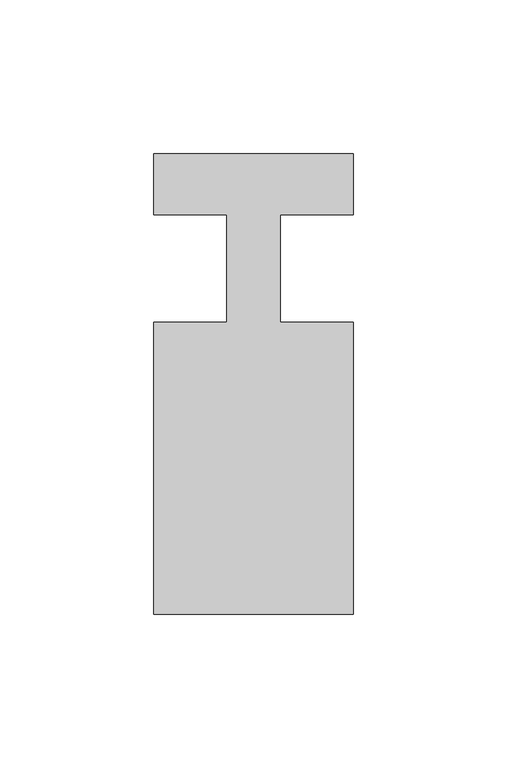
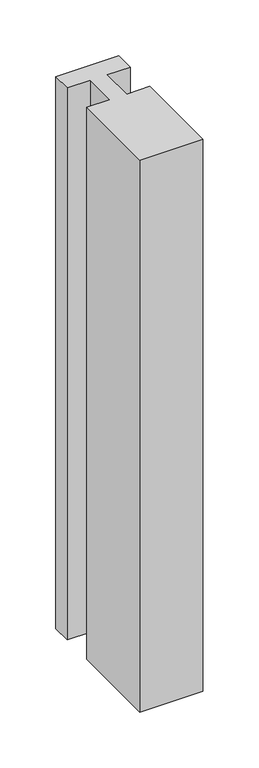
"""IFC4 building model written with IfcOpenShell, lengths in millimetres: member geometry."""

from ifc_helpers import new_model, si_unit, frame, origin, place, context, project, spatial, polyline, outline, extrude, source, transform, mapped, element, save


def member_1569af45(model_context):
    return source(origin(), model_context, "Body", "SweptSolid", [
        extrude(outline(polyline([(-32.5, 37.0), (32.5, 37.0), (32.5, 17.0), (8.6875, 17.0), (8.6875, -18.0), (32.5, -18.0), (32.5, -113.0), (-32.5, -113.0), (-32.5, -18.0), (-8.6875, -18.0), (-8.6875, 17.0), (-32.5, 17.0), (-32.5, 37.0)])), frame((0.0, 0.0, -602.5), z_axis=(0.0, 0.0, 1.0), x_axis=(1.0, 0.0, 0.0)), (0.0, 0.0, 1.0), 602.5),
    ])


if __name__ == "__main__":
    model = new_model("IFC4")
    model_context = context("Model", 3, world=origin())
    ifc_project = project(units=[si_unit("LENGTHUNIT", "METRE", prefix="MILLI")], contexts=[model_context])
    site = spatial("IfcSite", under=ifc_project)
    building = spatial("IfcBuilding", under=site)
    placement = place(None, origin())
    member_shape = member_1569af45(model_context)
    element("IfcMember", 1, at=placement, inside=building, context=model_context, shape_type="MappedRepresentation", body=[
        mapped(member_shape, transform((0.0, 0.0, 0.0), x_axis=(1.0, 0.0, 0.0), y_axis=(0.0, 1.0, 0.0), z_axis=(0.0, 0.0, 1.0))),
    ])
    save(model, "model.ifc")
